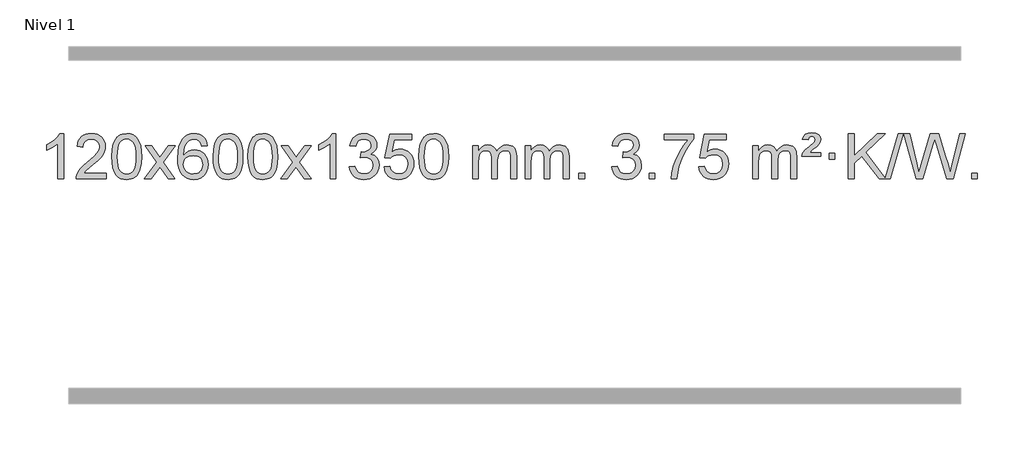
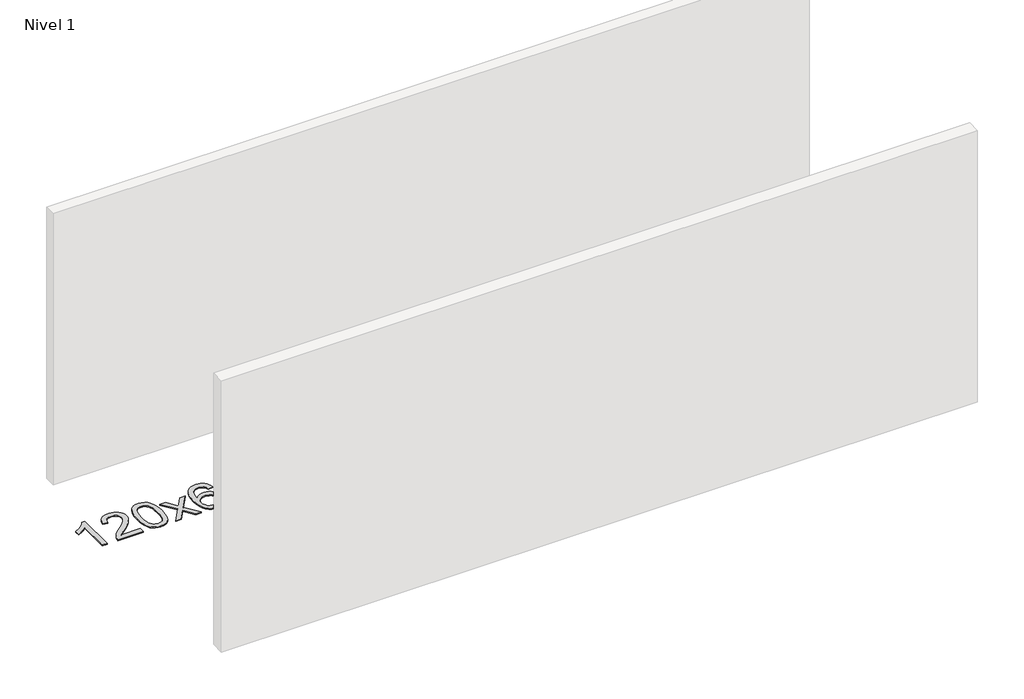
# One storey, part 2 of 9: 1 proxy.
"""IFC4 building model written with IfcOpenShell, lengths in millimetres."""

from ifc_helpers import new_model, si_unit, origin, origin_with_axes, place, context, project, spatial, polyline, outline, extrude, element, save

model = new_model("IFC4")

# Units and contexts
model_context = context("Model", 3, world=origin())
ifc_project = project(units=[si_unit("LENGTHUNIT", "METRE", prefix="MILLI")], contexts=[model_context])

# Site, building, storey
site = spatial("IfcSite", under=ifc_project)
building = spatial("IfcBuilding", under=site)
storey = spatial("IfcBuildingStorey", under=building, Name="Nivel 1", Elevation=0.0)

# Proxy
placement = place(None, origin())
element("IfcBuildingElementProxy", 1, Name="Texto de modelo 1", ObjectType="Texto de modelo 1", at=placement, inside=storey, context=model_context, shape_type="SweptSolid", body=[
    extrude(outline(polyline([(-13075.4615788, -9441.579453), (-13125.6897338, -9441.579453), (-13125.6897338, -9128.4382987), (-13146.6590076, -9145.3976587), (-13173.2691385, -9162.3324932), (-13226.146044, -9187.6918254), (-13226.146044, -9140.2105225), (-13186.6968314, -9118.7507395), (-13152.520594, -9093.219729), (-13125.5793692, -9066.0700378), (-13107.8351943, -9039.7542124), (-13075.4615788, -9039.7542124), (-13075.4615788, -9441.579453)])), origin_with_axes(), (0.0, 0.0, 1.0), 10.0),
    extrude(outline(polyline([(-12698.7504157, -9391.3512979), (-12698.7504157, -9441.579453), (-12962.4482298, -9441.579453), (-12961.3445839, -9423.8965918), (-12957.0526273, -9406.9494945), (-12944.6672667, -9379.8856424), (-12926.5429471, -9353.6311307), (-12900.3252236, -9326.1503456), (-12863.6596514, -9295.4076736), (-12809.4583708, -9247.2641831), (-12776.9376024, -9211.7267824), (-12760.6772182, -9182.884834), (-12755.2570902, -9154.8277005), (-12760.3706499, -9129.6768347), (-12775.7113291, -9108.7688747), (-12799.292565, -9094.6789943), (-12829.1277948, -9089.9823675), (-12860.4590781, -9094.5686297), (-12884.8006034, -9108.3274163), (-12900.5091646, -9130.1796068), (-12905.9415554, -9159.0460807), (-12956.1697105, -9152.7675613), (-12951.8501627, -9126.838012), (-12943.9928164, -9104.1826125), (-12932.5976716, -9084.8013627), (-12917.6647283, -9068.6942627), (-12899.537343, -9056.0329907), (-12878.5588722, -9046.989225), (-12854.729316, -9041.5629655), (-12828.0486743, -9039.7542124), (-12801.1289093, -9041.7653006), (-12777.1705943, -9047.7985654), (-12756.1737295, -9057.8540066), (-12738.1383147, -9071.9316242), (-12723.6529611, -9088.9890861), (-12713.30628, -9107.9840598), (-12707.0982713, -9128.9165453), (-12705.0289351, -9151.7865427), (-12707.2607525, -9175.8092369), (-12713.9562048, -9199.4149983), (-12725.8387933, -9223.4254299), (-12743.6320191, -9248.6621347), (-12771.9957209, -9278.7916701), (-12815.5897374, -9317.4805933), (-12873.3717361, -9365.795762), (-12896.033267, -9391.3512979), (-12698.7504157, -9391.3512979)])), origin_with_axes(), (0.0, 0.0, 1.0), 10.0),
    extrude(outline(polyline([(-12648.5222606, -9243.9041943), (-12644.8311779, -9179.5861588), (-12633.7579299, -9128.2911459), (-12615.4128811, -9089.2343407), (-12603.5548181, -9074.0009605), (-12589.9063961, -9061.6309284), (-12574.4216298, -9052.0598651), (-12557.0545339, -9045.2233914), (-12516.6733536, -9039.7542124), (-12485.722215, -9042.991574), (-12458.0084381, -9052.7036586), (-12434.8318724, -9068.5103217), (-12417.4923677, -9090.0314184), (-12404.3957686, -9117.0830078), (-12393.94792, -9149.4811488), (-12387.1053149, -9190.6226186), (-12384.8244465, -9243.9041943), (-12388.478741, -9307.8543477), (-12399.4416244, -9359.0267333), (-12417.6763087, -9398.1203266), (-12429.5067805, -9413.3996922), (-12443.1460055, -9425.8341036), (-12458.6491659, -9435.4695462), (-12476.071444, -9442.3520052), (-12516.6733536, -9447.8579724), (-12544.3380796, -9445.4667394), (-12568.8635459, -9438.2930405), (-12590.2497526, -9426.3368757), (-12608.4966996, -9409.5982449), (-12626.0078825, -9379.3399508), (-12638.5158704, -9341.6381776), (-12646.0206631, -9296.4929255), (-12648.5222606, -9243.9041943)]), holes=[polyline([(-12598.2941056, -9243.8060924), (-12596.8225776, -9287.4706195), (-12592.4079936, -9322.8148822), (-12585.0503537, -9349.8388804), (-12574.7496579, -9368.5426142), (-12562.290721, -9381.2682656), (-12548.4583579, -9390.3580165), (-12533.2525688, -9395.8118671), (-12516.6733536, -9397.6298173), (-12500.0941383, -9395.8057357), (-12484.8883492, -9390.3334911), (-12471.0559862, -9381.2130833), (-12458.5970493, -9368.4445124), (-12448.2963534, -9349.7101217), (-12440.9387135, -9322.6922549), (-12436.5241295, -9287.3909118), (-12435.0526016, -9243.8060924), (-12436.4750786, -9201.2973278), (-12440.7425098, -9166.5753989), (-12447.854895, -9139.6403055), (-12457.8122343, -9120.4920476), (-12470.0627048, -9107.1440625), (-12484.0544833, -9097.6097875), (-12499.78757, -9091.8892225), (-12517.2619648, -9089.9823675), (-12533.7553409, -9091.6623619), (-12548.7036126, -9096.7023452), (-12562.10678, -9105.1023175), (-12573.9648429, -9116.8622786), (-12584.6088953, -9137.708925), (-12592.2117899, -9165.8151094), (-12596.7735266, -9201.1808319), (-12598.2941056, -9243.8060924)])]), origin_with_axes(), (0.0, 0.0, 1.0), 10.0),
    extrude(outline(polyline([(-12359.7103689, -9441.579453), (-12252.3869282, -9293.2494325), (-12353.4318496, -9146.4890419), (-12293.0011005, -9146.4890419), (-12244.2444734, -9217.122385), (-12221.4848406, -9250.4770192), (-12201.7663657, -9223.2047007), (-12146.2407099, -9146.4890419), (-12085.8099608, -9146.4890419), (-12191.9561791, -9293.2494325), (-12089.7340354, -9441.579453), (-12150.1647845, -9441.579453), (-12211.6746541, -9352.4048574), (-12222.9563686, -9336.1199477), (-12299.2796199, -9441.579453), (-12359.7103689, -9441.579453)])), origin_with_axes(), (0.0, 0.0, 1.0), 10.0),
    extrude(outline(polyline([(-11800.9221437, -9146.4890419), (-11851.1502988, -9152.7675613), (-11859.2437027, -9127.874213), (-11870.1820607, -9110.8780648), (-11892.9662189, -9095.2062918), (-11920.5083176, -9089.9823675), (-11943.8565616, -9093.0235253), (-11965.8313794, -9102.1469988), (-11984.7037258, -9121.3627017), (-12000.1179814, -9147.8134171), (-12010.5290419, -9185.227016), (-12014.3918028, -9237.3313693), (-11994.2441322, -9213.8237098), (-11970.0988106, -9197.2567573), (-11943.3047386, -9187.434308), (-11915.2108169, -9184.1601582), (-11891.077758, -9186.398107), (-11868.8086346, -9193.1119534), (-11848.4034466, -9204.3016975), (-11829.862194, -9219.9673391), (-11814.4540698, -9239.1769106), (-11803.4482668, -9260.9984443), (-11796.844785, -9285.4319401), (-11794.6436244, -9312.4773982), (-11798.7884282, -9348.4439945), (-11811.2228396, -9381.786366), (-11830.9167891, -9410.0642287), (-11856.840207, -9430.8372987), (-11887.815871, -9443.602804), (-11922.6665587, -9447.8579724), (-11952.6090874, -9445.0375437), (-11979.6514797, -9436.5762579), (-12003.7937357, -9422.4741147), (-12025.0358552, -9402.7311143), (-12042.3539001, -9376.5133908), (-12054.7239322, -9342.9870783), (-12062.1459515, -9302.1521768), (-12064.6199579, -9254.0086864), (-12061.8731057, -9200.0342663), (-12053.632549, -9153.9693092), (-12039.8982878, -9115.8138149), (-12020.6703222, -9085.5677835), (-11999.8298072, -9065.5243462), (-11975.6660915, -9051.2076052), (-11948.179175, -9042.6175606), (-11917.3690579, -9039.7542124), (-11894.2354118, -9041.5261773), (-11873.2967949, -9046.8420722), (-11854.5532073, -9055.7018969), (-11838.0046489, -9068.1056515), (-11824.0987094, -9083.6364031), (-11813.2829788, -9101.8772186), (-11805.5574569, -9122.8280983), (-11800.9221437, -9146.4890419)]), holes=[polyline([(-12014.3918028, -9311.6925832), (-12011.485535, -9333.9494439), (-12002.7667318, -9355.2007605), (-11989.2286743, -9373.472233), (-11971.8646442, -9386.7895612), (-11950.9076332, -9394.9197533), (-11926.5906333, -9397.6298173), (-11893.4444655, -9392.0134855), (-11879.5293291, -9384.9930708), (-11867.3861575, -9375.1644901), (-11857.5361171, -9362.9262824), (-11850.500374, -9348.6769865), (-11844.8717794, -9314.1451299), (-11850.4267976, -9280.9989621), (-11857.3705702, -9267.3781312), (-11867.0918519, -9255.725469), (-11879.2718117, -9246.3904634), (-11893.5916183, -9239.7226022), (-11928.6507725, -9234.3883133), (-11961.7478893, -9239.7226022), (-11989.4248781, -9255.725469), (-12000.3479076, -9267.2248471), (-12008.1500716, -9280.3858254), (-12012.83137, -9295.2084042), (-12014.3918028, -9311.6925832)])]), origin_with_axes(), (0.0, 0.0, 1.0), 10.0),
    extrude(outline(polyline([(-11750.6939887, -9243.9041943), (-11747.002906, -9179.5861588), (-11735.9296579, -9128.2911459), (-11717.5846091, -9089.2343407), (-11705.7265461, -9074.0009605), (-11692.0781241, -9061.6309284), (-11676.5933578, -9052.0598651), (-11659.2262619, -9045.2233914), (-11618.8450816, -9039.7542124), (-11587.8939431, -9042.991574), (-11560.1801661, -9052.7036586), (-11537.0036004, -9068.5103217), (-11519.6640957, -9090.0314184), (-11506.5674967, -9117.0830078), (-11496.119648, -9149.4811488), (-11489.2770429, -9190.6226186), (-11486.9961745, -9243.9041943), (-11490.650469, -9307.8543477), (-11501.6133525, -9359.0267333), (-11519.8480367, -9398.1203266), (-11531.6785085, -9413.3996922), (-11545.3177335, -9425.8341036), (-11560.8208939, -9435.4695462), (-11578.2431721, -9442.3520052), (-11618.8450816, -9447.8579724), (-11646.5098076, -9445.4667394), (-11671.035274, -9438.2930405), (-11692.4214806, -9426.3368757), (-11710.6684276, -9409.5982449), (-11728.1796106, -9379.3399508), (-11740.6875984, -9341.6381776), (-11748.1923911, -9296.4929255), (-11750.6939887, -9243.9041943)]), holes=[polyline([(-11700.4658336, -9243.8060924), (-11698.9943056, -9287.4706195), (-11694.5797217, -9322.8148822), (-11687.2220818, -9349.8388804), (-11676.9213859, -9368.5426142), (-11664.462449, -9381.2682656), (-11650.630086, -9390.3580165), (-11635.4242968, -9395.8118671), (-11618.8450816, -9397.6298173), (-11602.2658663, -9395.8057357), (-11587.0600772, -9390.3334911), (-11573.2277142, -9381.2130833), (-11560.7687773, -9368.4445124), (-11550.4680814, -9349.7101217), (-11543.1104415, -9322.6922549), (-11538.6958576, -9287.3909118), (-11537.2243296, -9243.8060924), (-11538.6468066, -9201.2973278), (-11542.9142378, -9166.5753989), (-11550.026623, -9139.6403055), (-11559.9839624, -9120.4920476), (-11572.2344328, -9107.1440625), (-11586.2262114, -9097.6097875), (-11601.959298, -9091.8892225), (-11619.4336928, -9089.9823675), (-11635.9270689, -9091.6623619), (-11650.8753406, -9096.7023452), (-11664.278508, -9105.1023175), (-11676.136571, -9116.8622786), (-11686.7806234, -9137.708925), (-11694.3835179, -9165.8151094), (-11698.9452547, -9201.1808319), (-11700.4658336, -9243.8060924)])]), origin_with_axes(), (0.0, 0.0, 1.0), 10.0),
    extrude(outline(polyline([(-11443.0465388, -9243.9041943), (-11439.3554561, -9179.5861588), (-11428.2822081, -9128.2911459), (-11409.9371593, -9089.2343407), (-11398.0790963, -9074.0009605), (-11384.4306743, -9061.6309284), (-11368.945908, -9052.0598651), (-11351.5788121, -9045.2233914), (-11311.1976318, -9039.7542124), (-11280.2464932, -9042.991574), (-11252.5327163, -9052.7036586), (-11229.3561506, -9068.5103217), (-11212.0166459, -9090.0314184), (-11198.9200468, -9117.0830078), (-11188.4721982, -9149.4811488), (-11181.6295931, -9190.6226186), (-11179.3487247, -9243.9041943), (-11183.0030192, -9307.8543477), (-11193.9659026, -9359.0267333), (-11212.2005869, -9398.1203266), (-11224.0310587, -9413.3996922), (-11237.6702837, -9425.8341036), (-11253.1734441, -9435.4695462), (-11270.5957222, -9442.3520052), (-11311.1976318, -9447.8579724), (-11338.8623578, -9445.4667394), (-11363.3878241, -9438.2930405), (-11384.7740308, -9426.3368757), (-11403.0209778, -9409.5982449), (-11420.5321607, -9379.3399508), (-11433.0401486, -9341.6381776), (-11440.5449413, -9296.4929255), (-11443.0465388, -9243.9041943)]), holes=[polyline([(-11392.8183838, -9243.8060924), (-11391.3468558, -9287.4706195), (-11386.9322718, -9322.8148822), (-11379.5746319, -9349.8388804), (-11369.2739361, -9368.5426142), (-11356.8149992, -9381.2682656), (-11342.9826361, -9390.3580165), (-11327.776847, -9395.8118671), (-11311.1976318, -9397.6298173), (-11294.6184165, -9395.8057357), (-11279.4126274, -9390.3334911), (-11265.5802644, -9381.2130833), (-11253.1213275, -9368.4445124), (-11242.8206316, -9349.7101217), (-11235.4629917, -9322.6922549), (-11231.0484077, -9287.3909118), (-11229.5768798, -9243.8060924), (-11230.9993568, -9201.2973278), (-11235.266788, -9166.5753989), (-11242.3791732, -9139.6403055), (-11252.3365125, -9120.4920476), (-11264.586983, -9107.1440625), (-11278.5787615, -9097.6097875), (-11294.3118482, -9091.8892225), (-11311.786243, -9089.9823675), (-11328.2796191, -9091.6623619), (-11343.2278908, -9096.7023452), (-11356.6310582, -9105.1023175), (-11368.4891211, -9116.8622786), (-11379.1331735, -9137.708925), (-11386.7360681, -9165.8151094), (-11391.2978048, -9201.1808319), (-11392.8183838, -9243.8060924)])]), origin_with_axes(), (0.0, 0.0, 1.0), 10.0),
    extrude(outline(polyline([(-11154.2346472, -9441.579453), (-11046.9112064, -9293.2494325), (-11147.9561278, -9146.4890419), (-11087.5253787, -9146.4890419), (-11038.7687516, -9217.122385), (-11016.0091188, -9250.4770192), (-10996.2906439, -9223.2047007), (-10940.7649881, -9146.4890419), (-10880.334239, -9146.4890419), (-10986.4804574, -9293.2494325), (-10884.2583136, -9441.579453), (-10944.6890627, -9441.579453), (-11006.1989323, -9352.4048574), (-11017.4806468, -9336.1199477), (-11093.8038981, -9441.579453), (-11154.2346472, -9441.579453)])), origin_with_axes(), (0.0, 0.0, 1.0), 10.0),
    extrude(outline(polyline([(-10664.5101352, -9441.579453), (-10714.7382902, -9441.579453), (-10714.7382902, -9128.4382987), (-10735.707564, -9145.3976587), (-10762.317695, -9162.3324932), (-10815.1946004, -9187.6918254), (-10815.1946004, -9140.2105225), (-10775.7453878, -9118.7507395), (-10741.5691504, -9093.219729), (-10714.6279257, -9066.0700378), (-10696.8837508, -9039.7542124), (-10664.5101352, -9039.7542124), (-10664.5101352, -9441.579453)])), origin_with_axes(), (0.0, 0.0, 1.0), 10.0),
    extrude(outline(polyline([(-10545.2182669, -9334.8446235), (-10494.9901118, -9328.5661041), (-10483.7451855, -9360.1303793), (-10467.2763348, -9381.4430095), (-10444.7742195, -9393.5831154), (-10415.429499, -9397.6298173), (-10380.9957442, -9392.0625364), (-10366.7219228, -9385.1034354), (-10354.4101387, -9375.3606939), (-10337.4139905, -9350.4428201), (-10331.7486078, -9320.2274455), (-10337.3649396, -9291.5449126), (-10354.213935, -9268.2825078), (-10379.72042, -9252.8682522), (-10411.3092206, -9247.730167), (-10446.5277903, -9253.2238715), (-10440.935984, -9202.9957164), (-10432.891631, -9203.5843276), (-10402.7988838, -9199.979084), (-10375.8944472, -9189.1633534), (-10364.8211992, -9180.9841103), (-10356.9117363, -9170.8673555), (-10352.1660585, -9158.8130888), (-10350.584166, -9144.8213102), (-10355.1704282, -9123.1285352), (-10368.9292148, -9105.5315131), (-10389.923014, -9093.8696539), (-10416.2143139, -9089.9823675), (-10442.5546648, -9093.9064421), (-10464.0880242, -9105.6786659), (-10479.8088481, -9125.299039), (-10488.7115924, -9152.7675613), (-10538.9397475, -9146.4890419), (-10532.9861905, -9122.5092672), (-10524.1508913, -9101.3867093), (-10512.4338497, -9083.1213683), (-10497.8350659, -9067.713244), (-10480.8143922, -9055.4811677), (-10461.8316813, -9046.7439703), (-10440.886933, -9041.5016519), (-10417.9801475, -9039.7542124), (-10386.4036096, -9043.2000404), (-10357.4022456, -9053.5375245), (-10332.9503557, -9069.8469596), (-10315.0222398, -9091.2086408), (-10304.0225681, -9115.8199463), (-10300.3560109, -9141.8782543), (-10303.8386271, -9166.1584659), (-10314.2864758, -9188.1823347), (-10331.5524041, -9206.9443165), (-10355.4892592, -9221.4388671), (-10324.0476114, -9234.1430586), (-10300.7484183, -9255.77452), (-10286.3274441, -9285.1560286), (-10281.5204527, -9321.1103623), (-10283.9239484, -9346.5923218), (-10291.1344355, -9370.0631931), (-10303.151914, -9391.5229762), (-10319.976384, -9410.971671), (-10340.4735425, -9427.1094278), (-10363.5090867, -9438.636397), (-10389.0830168, -9445.5525785), (-10417.1953326, -9447.8579724), (-10442.6037157, -9445.8898037), (-10465.7557559, -9439.9852977), (-10486.6514532, -9430.1444543), (-10505.2908077, -9416.3672736), (-10520.9196611, -9399.4630959), (-10532.7838554, -9380.2412617), (-10540.8833907, -9358.7017708), (-10545.2182669, -9334.8446235)])), origin_with_axes(), (0.0, 0.0, 1.0), 10.0),
    extrude(outline(polyline([(-10237.570817, -9334.8446235), (-10187.342662, -9328.5661041), (-10178.1210866, -9358.7201649), (-10162.0323807, -9380.3148381), (-10139.1501206, -9393.3010725), (-10109.5478827, -9397.6298173), (-10090.418019, -9396.1245668), (-10073.5444981, -9391.6088153), (-10058.9273202, -9384.0825628), (-10046.5664851, -9373.5458094), (-10036.7379045, -9360.519721), (-10029.7174898, -9345.5254641), (-10024.101158, -9309.6324441), (-10029.3618705, -9275.8363514), (-10035.9377612, -9261.9181493), (-10045.1440081, -9249.9865099), (-10057.0112681, -9240.4154467), (-10071.5701981, -9233.5789729), (-10108.7630678, -9228.1097939), (-10133.1291186, -9230.2925604), (-10152.8598563, -9236.8408599), (-10168.6174684, -9246.8717757), (-10181.0641426, -9259.5023908), (-10231.2922977, -9253.2238715), (-10187.342662, -9046.0327318), (-9992.708561, -9046.0327318), (-9992.708561, -9096.2608869), (-10146.7284897, -9096.2608869), (-10168.2127982, -9206.919791), (-10150.4870174, -9194.2155994), (-10132.332041, -9185.1411769), (-10113.7478688, -9179.6965234), (-10094.734501, -9177.8816388), (-10070.273414, -9180.1318504), (-10047.8050212, -9186.882485), (-10027.3293225, -9198.1335427), (-10008.8463179, -9213.8850234), (-9993.5454926, -9233.1743027), (-9982.6163316, -9255.038756), (-9976.0588351, -9279.4783832), (-9973.8730029, -9306.4931844), (-9975.8411716, -9332.5147042), (-9981.7456776, -9356.7213394), (-9991.586521, -9379.1130902), (-10005.3637017, -9399.6899565), (-10026.2348735, -9420.7634634), (-10050.5886616, -9435.8159684), (-10078.4250659, -9444.8474714), (-10109.7440864, -9447.8579724), (-10135.6644387, -9445.9235262), (-10159.077062, -9440.1201877), (-10179.9819564, -9430.447957), (-10198.3791218, -9416.9068338), (-10213.6860785, -9400.1712688), (-10225.3203466, -9380.915712), (-10233.2819261, -9359.1401636), (-10237.570817, -9334.8446235)])), origin_with_axes(), (0.0, 0.0, 1.0), 10.0),
    extrude(outline(polyline([(-9929.9233672, -9243.9041943), (-9926.2322845, -9179.5861588), (-9915.1590365, -9128.2911459), (-9896.8139876, -9089.2343407), (-9884.9559247, -9074.0009605), (-9871.3075026, -9061.6309284), (-9855.8227363, -9052.0598651), (-9838.4556405, -9045.2233914), (-9798.0744601, -9039.7542124), (-9767.1233216, -9042.991574), (-9739.4095446, -9052.7036586), (-9716.2329789, -9068.5103217), (-9698.8934742, -9090.0314184), (-9685.7968752, -9117.0830078), (-9675.3490265, -9149.4811488), (-9668.5064214, -9190.6226186), (-9666.2255531, -9243.9041943), (-9669.8798475, -9307.8543477), (-9680.842731, -9359.0267333), (-9699.0774152, -9398.1203266), (-9710.9078871, -9413.3996922), (-9724.547112, -9425.8341036), (-9740.0502724, -9435.4695462), (-9757.4725506, -9442.3520052), (-9798.0744601, -9447.8579724), (-9825.7391862, -9445.4667394), (-9850.2646525, -9438.2930405), (-9871.6508592, -9426.3368757), (-9889.8978061, -9409.5982449), (-9907.4089891, -9379.3399508), (-9919.9169769, -9341.6381776), (-9927.4217696, -9296.4929255), (-9929.9233672, -9243.9041943)]), holes=[polyline([(-9879.6952121, -9243.8060924), (-9878.2236842, -9287.4706195), (-9873.8091002, -9322.8148822), (-9866.4514603, -9349.8388804), (-9856.1507644, -9368.5426142), (-9843.6918275, -9381.2682656), (-9829.8594645, -9390.3580165), (-9814.6536754, -9395.8118671), (-9798.0744601, -9397.6298173), (-9781.4952449, -9395.8057357), (-9766.2894558, -9390.3334911), (-9752.4570927, -9381.2130833), (-9739.9981558, -9368.4445124), (-9729.69746, -9349.7101217), (-9722.3398201, -9322.6922549), (-9717.9252361, -9287.3909118), (-9716.4537081, -9243.8060924), (-9717.8761852, -9201.2973278), (-9722.1436163, -9166.5753989), (-9729.2560016, -9139.6403055), (-9739.2133409, -9120.4920476), (-9751.4638113, -9107.1440625), (-9765.4555899, -9097.6097875), (-9781.1886766, -9091.8892225), (-9798.6630713, -9089.9823675), (-9815.1564474, -9091.6623619), (-9830.1047192, -9096.7023452), (-9843.5078865, -9105.1023175), (-9855.3659495, -9116.8622786), (-9866.0100019, -9137.708925), (-9873.6128965, -9165.8151094), (-9878.1746332, -9201.1808319), (-9879.6952121, -9243.8060924)])]), origin_with_axes(), (0.0, 0.0, 1.0), 10.0),
    extrude(outline(polyline([(-9452.755894, -9441.579453), (-9452.755894, -9146.4890419), (-9402.5277389, -9146.4890419), (-9402.5277389, -9195.0494653), (-9387.4200517, -9172.7435537), (-9367.9958823, -9155.2691589), (-9344.9174185, -9143.9751816), (-9318.8468478, -9140.2105225), (-9290.9123416, -9144.048758), (-9268.5205908, -9155.5634645), (-9251.7942228, -9173.9943524), (-9240.8558648, -9198.5811324), (-9222.5476041, -9173.0439906), (-9201.6641696, -9154.803175), (-9178.205561, -9143.8586857), (-9152.1717785, -9140.2105225), (-9132.0639617, -9141.7280358), (-9114.414823, -9146.2805755), (-9099.2243623, -9153.8681416), (-9086.4925796, -9164.4907342), (-9076.4279413, -9178.2709806), (-9069.238914, -9195.3315082), (-9064.9254976, -9215.6723168), (-9063.4876922, -9239.2934066), (-9063.4876922, -9441.579453), (-9113.7158472, -9441.579453), (-9113.7158472, -9260.875817), (-9114.8808069, -9235.8230531), (-9118.3756858, -9218.9372695), (-9124.9239854, -9207.3735121), (-9135.2492067, -9198.2868268), (-9148.5297467, -9192.4007149), (-9163.9440023, -9190.4386776), (-9191.1550072, -9195.4663982), (-9213.3382915, -9210.54956), (-9221.9436645, -9222.1194488), (-9228.0903595, -9236.7182326), (-9233.0077155, -9275.0024856), (-9233.0077155, -9441.579453), (-9283.2358706, -9441.579453), (-9283.2358706, -9255.2840106), (-9286.1421384, -9226.8835206), (-9294.8609417, -9206.6254854), (-9310.2016209, -9194.4853796), (-9332.9735164, -9190.4386776), (-9352.3241093, -9193.1364789), (-9370.1541233, -9201.2298828), (-9384.8694032, -9214.5226856), (-9394.8757934, -9232.8186835), (-9400.6147525, -9258.2025411), (-9402.5277389, -9292.7589232), (-9402.5277389, -9441.579453), (-9452.755894, -9441.579453)])), origin_with_axes(), (0.0, 0.0, 1.0), 10.0),
    extrude(outline(polyline([(-8988.1454596, -9441.579453), (-8988.1454596, -9146.4890419), (-8937.9173045, -9146.4890419), (-8937.9173045, -9195.0494653), (-8922.8096172, -9172.7435537), (-8903.3854479, -9155.2691589), (-8880.306984, -9143.9751816), (-8854.2364133, -9140.2105225), (-8826.3019071, -9144.048758), (-8803.9101564, -9155.5634645), (-8787.1837883, -9173.9943524), (-8776.2454303, -9198.5811324), (-8757.9371697, -9173.0439906), (-8737.0537351, -9154.803175), (-8713.5951266, -9143.8586857), (-8687.561344, -9140.2105225), (-8667.4535273, -9141.7280358), (-8649.8043886, -9146.2805755), (-8634.6139279, -9153.8681416), (-8621.8821452, -9164.4907342), (-8611.8175069, -9178.2709806), (-8604.6284796, -9195.3315082), (-8600.3150632, -9215.6723168), (-8598.8772577, -9239.2934066), (-8598.8772577, -9441.579453), (-8649.1054128, -9441.579453), (-8649.1054128, -9260.875817), (-8650.2703724, -9235.8230531), (-8653.7652514, -9218.9372695), (-8660.3135509, -9207.3735121), (-8670.6387722, -9198.2868268), (-8683.9193123, -9192.4007149), (-8699.3335679, -9190.4386776), (-8726.5445728, -9195.4663982), (-8748.7278571, -9210.54956), (-8757.3332301, -9222.1194488), (-8763.4799251, -9236.7182326), (-8768.3972811, -9275.0024856), (-8768.3972811, -9441.579453), (-8818.6254362, -9441.579453), (-8818.6254362, -9255.2840106), (-8821.5317039, -9226.8835206), (-8830.2505072, -9206.6254854), (-8845.5911864, -9194.4853796), (-8868.3630819, -9190.4386776), (-8887.7136749, -9193.1364789), (-8905.5436889, -9201.2298828), (-8920.2589687, -9214.5226856), (-8930.265359, -9232.8186835), (-8936.0043181, -9258.2025411), (-8937.9173045, -9292.7589232), (-8937.9173045, -9441.579453), (-8988.1454596, -9441.579453)])), origin_with_axes(), (0.0, 0.0, 1.0), 10.0),
    extrude(outline(polyline([(-8510.9779863, -9441.579453), (-8510.9779863, -9391.3512979), (-8460.7498313, -9391.3512979), (-8460.7498313, -9441.579453), (-8510.9779863, -9441.579453)])), origin_with_axes(), (0.0, 0.0, 1.0), 10.0),
    extrude(outline(polyline([(-8222.1660947, -9334.8446235), (-8171.9379396, -9328.5661041), (-8160.6930133, -9360.1303793), (-8144.2241626, -9381.4430095), (-8121.7220472, -9393.5831154), (-8092.3773268, -9397.6298173), (-8057.943572, -9392.0625364), (-8043.6697506, -9385.1034354), (-8031.3579665, -9375.3606939), (-8014.3618183, -9350.4428201), (-8008.6964356, -9320.2274455), (-8014.3127674, -9291.5449126), (-8031.1617628, -9268.2825078), (-8056.6682478, -9252.8682522), (-8088.2570484, -9247.730167), (-8123.4756181, -9253.2238715), (-8117.8838118, -9202.9957164), (-8109.8394588, -9203.5843276), (-8079.7467116, -9199.979084), (-8052.842275, -9189.1633534), (-8041.769027, -9180.9841103), (-8033.8595641, -9170.8673555), (-8029.1138863, -9158.8130888), (-8027.5319937, -9144.8213102), (-8032.118256, -9123.1285352), (-8045.8770426, -9105.5315131), (-8066.8708418, -9093.8696539), (-8093.1621417, -9089.9823675), (-8119.5024925, -9093.9064421), (-8141.035852, -9105.6786659), (-8156.7566759, -9125.299039), (-8165.6594202, -9152.7675613), (-8215.8875753, -9146.4890419), (-8209.9340183, -9122.5092672), (-8201.0987191, -9101.3867093), (-8189.3816775, -9083.1213683), (-8174.7828937, -9067.713244), (-8157.76222, -9055.4811677), (-8138.7795091, -9046.7439703), (-8117.8347608, -9041.5016519), (-8094.9279753, -9039.7542124), (-8063.3514373, -9043.2000404), (-8034.3500734, -9053.5375245), (-8009.8981834, -9069.8469596), (-7991.9700675, -9091.2086408), (-7980.9703959, -9115.8199463), (-7977.3038387, -9141.8782543), (-7980.7864549, -9166.1584659), (-7991.2343036, -9188.1823347), (-8008.5002319, -9206.9443165), (-8032.437087, -9221.4388671), (-8000.9954392, -9234.1430586), (-7977.6962461, -9255.77452), (-7963.2752719, -9285.1560286), (-7958.4682805, -9321.1103623), (-7960.8717762, -9346.5923218), (-7968.0822633, -9370.0631931), (-7980.0997418, -9391.5229762), (-7996.9242117, -9410.971671), (-8017.4213702, -9427.1094278), (-8040.4569145, -9438.636397), (-8066.0308445, -9445.5525785), (-8094.1431603, -9447.8579724), (-8119.5515435, -9445.8898037), (-8142.7035837, -9439.9852977), (-8163.599281, -9430.1444543), (-8182.2386355, -9416.3672736), (-8197.8674889, -9399.4630959), (-8209.7316832, -9380.2412617), (-8217.8312185, -9358.7017708), (-8222.1660947, -9334.8446235)])), origin_with_axes(), (0.0, 0.0, 1.0), 10.0),
    extrude(outline(polyline([(-7889.4045673, -9441.579453), (-7889.4045673, -9391.3512979), (-7839.1764122, -9391.3512979), (-7839.1764122, -9441.579453), (-7889.4045673, -9441.579453)])), origin_with_axes(), (0.0, 0.0, 1.0), 10.0),
    extrude(outline(polyline([(-7757.5556602, -9096.2608869), (-7757.5556602, -9046.0327318), (-7493.8578461, -9046.0327318), (-7493.8578461, -9086.646904), (-7531.4431233, -9134.214046), (-7568.6605184, -9194.7061088), (-7601.4878551, -9262.6048623), (-7625.9029569, -9332.3920768), (-7637.8713845, -9384.6067947), (-7644.5423113, -9441.579453), (-7694.7704664, -9441.579453), (-7689.3380756, -9389.8061935), (-7674.8067368, -9328.2717985), (-7651.5688574, -9263.0463207), (-7620.016845, -9200.1998132), (-7583.1795945, -9143.3865704), (-7544.0860012, -9096.2608869), (-7757.5556602, -9096.2608869)])), origin_with_axes(), (0.0, 0.0, 1.0), 10.0),
    extrude(outline(polyline([(-7449.9082104, -9334.8446235), (-7399.6800553, -9328.5661041), (-7390.45848, -9358.7201649), (-7374.369774, -9380.3148381), (-7351.4875139, -9393.3010725), (-7321.8852761, -9397.6298173), (-7302.7554123, -9396.1245668), (-7285.8818915, -9391.6088153), (-7271.2647135, -9384.0825628), (-7258.9038785, -9373.5458094), (-7249.0752979, -9360.519721), (-7242.0548831, -9345.5254641), (-7236.4385513, -9309.6324441), (-7241.6992639, -9275.8363514), (-7248.2751545, -9261.9181493), (-7257.4814014, -9249.9865099), (-7269.3486615, -9240.4154467), (-7283.9075914, -9233.5789729), (-7321.1004611, -9228.1097939), (-7345.466512, -9230.2925604), (-7365.1972496, -9236.8408599), (-7380.9548618, -9246.8717757), (-7393.4015359, -9259.5023908), (-7443.629691, -9253.2238715), (-7399.6800553, -9046.0327318), (-7205.0459544, -9046.0327318), (-7205.0459544, -9096.2608869), (-7359.065883, -9096.2608869), (-7380.5501916, -9206.919791), (-7362.8244108, -9194.2155994), (-7344.6694343, -9185.1411769), (-7326.0852622, -9179.6965234), (-7307.0718944, -9177.8816388), (-7282.6108074, -9180.1318504), (-7260.1424145, -9186.882485), (-7239.6667158, -9198.1335427), (-7221.1837113, -9213.8850234), (-7205.8828859, -9233.1743027), (-7194.953725, -9255.038756), (-7188.3962284, -9279.4783832), (-7186.2103962, -9306.4931844), (-7188.1785649, -9332.5147042), (-7194.0830709, -9356.7213394), (-7203.9239143, -9379.1130902), (-7217.701095, -9399.6899565), (-7238.5722669, -9420.7634634), (-7262.926055, -9435.8159684), (-7290.7624593, -9444.8474714), (-7322.0814798, -9447.8579724), (-7348.001832, -9445.9235262), (-7371.4144553, -9440.1201877), (-7392.3193497, -9430.447957), (-7410.7165152, -9416.9068338), (-7426.0234719, -9400.1712688), (-7437.6577399, -9380.915712), (-7445.6193195, -9359.1401636), (-7449.9082104, -9334.8446235)])), origin_with_axes(), (0.0, 0.0, 1.0), 10.0),
    extrude(outline(polyline([(-6972.7407372, -9441.579453), (-6972.7407372, -9146.4890419), (-6922.5125821, -9146.4890419), (-6922.5125821, -9195.0494653), (-6907.4048948, -9172.7435537), (-6887.9807255, -9155.2691589), (-6864.9022617, -9143.9751816), (-6838.8316909, -9140.2105225), (-6810.8971848, -9144.048758), (-6788.505434, -9155.5634645), (-6771.7790659, -9173.9943524), (-6760.840708, -9198.5811324), (-6742.5324473, -9173.0439906), (-6721.6490127, -9154.803175), (-6698.1904042, -9143.8586857), (-6672.1566217, -9140.2105225), (-6652.0488049, -9141.7280358), (-6634.3996662, -9146.2805755), (-6619.2092055, -9153.8681416), (-6606.4774228, -9164.4907342), (-6596.4127845, -9178.2709806), (-6589.2237572, -9195.3315082), (-6584.9103408, -9215.6723168), (-6583.4725353, -9239.2934066), (-6583.4725353, -9441.579453), (-6633.7006904, -9441.579453), (-6633.7006904, -9260.875817), (-6634.8656501, -9235.8230531), (-6638.360529, -9218.9372695), (-6644.9088285, -9207.3735121), (-6655.2340499, -9198.2868268), (-6668.5145899, -9192.4007149), (-6683.9288455, -9190.4386776), (-6711.1398504, -9195.4663982), (-6733.3231347, -9210.54956), (-6741.9285077, -9222.1194488), (-6748.0752027, -9236.7182326), (-6752.9925587, -9275.0024856), (-6752.9925587, -9441.579453), (-6803.2207138, -9441.579453), (-6803.2207138, -9255.2840106), (-6806.1269816, -9226.8835206), (-6814.8457848, -9206.6254854), (-6830.186464, -9194.4853796), (-6852.9583595, -9190.4386776), (-6872.3089525, -9193.1364789), (-6890.1389665, -9201.2298828), (-6904.8542463, -9214.5226856), (-6914.8606366, -9232.8186835), (-6920.5995957, -9258.2025411), (-6922.5125821, -9292.7589232), (-6922.5125821, -9441.579453), (-6972.7407372, -9441.579453)])), origin_with_axes(), (0.0, 0.0, 1.0), 10.0),
    extrude(outline(polyline([(-6539.5228997, -9240.6668327), (-6535.6969269, -9224.8479069), (-6527.3582683, -9208.9799302), (-6505.8494344, -9183.8413272), (-6473.8927517, -9156.1030247), (-6429.7469123, -9118.726214), (-6422.6100016, -9107.1992448), (-6420.2310314, -9095.3779701), (-6422.1194923, -9083.2869152), (-6427.784875, -9073.5012541), (-6437.1536031, -9067.026531), (-6450.1521003, -9064.8682899), (-6462.5865117, -9066.4869707), (-6471.4402051, -9071.343013), (-6477.8658773, -9080.8098431), (-6483.0162252, -9096.2608869), (-6533.2443803, -9089.9823675), (-6522.4041241, -9064.7701881), (-6505.775858, -9047.2099542), (-6482.0106811, -9036.9092583), (-6449.7596928, -9033.475693), (-6413.9770374, -9037.6082341), (-6389.2308419, -9050.0058573), (-6374.8098677, -9068.3386434), (-6370.0028763, -9090.2766731), (-6374.0986292, -9113.1834586), (-6386.3858878, -9134.8149199), (-6406.9137031, -9154.6314968), (-6443.3830716, -9182.6886303), (-6468.9876584, -9209.2742358), (-6370.0028763, -9209.2742358), (-6370.0028763, -9240.6668327), (-6539.5228997, -9240.6668327)])), origin_with_axes(), (0.0, 0.0, 1.0), 10.0),
    extrude(outline(polyline([(-6294.6606437, -9265.7809102), (-6294.6606437, -9215.5527552), (-6244.4324886, -9215.5527552), (-6244.4324886, -9265.7809102), (-6294.6606437, -9265.7809102)])), origin_with_axes(), (0.0, 0.0, 1.0), 10.0),
    extrude(outline(polyline([(-5853.7908606, -9441.579453), (-6007.2221781, -9238.9009991), (-6074.9124652, -9303.4520265), (-6074.9124652, -9441.579453), (-6125.1406203, -9441.579453), (-6125.1406203, -9039.7542124), (-6074.9124652, -9039.7542124), (-6074.9124652, -9236.4484525), (-5868.8985479, -9039.7542124), (-5798.6576123, -9039.7542124), (-5971.611201, -9204.9577537), (-5796.9575911, -9435.5349332), (-5685.6442634, -9039.7542124), (-5640.3212016, -9039.7542124), (-5753.3345505, -9441.579453), (-5792.3790929, -9441.579453), (-5798.6576123, -9441.579453), (-5853.7908606, -9441.579453)])), origin_with_axes(), (0.0, 0.0, 1.0), 10.0),
    extrude(outline(polyline([(-5525.8363247, -9441.579453), (-5635.4161083, -9039.7542124), (-5583.6183234, -9039.7542124), (-5520.0483146, -9303.844434), (-5500.4279415, -9385.3670841), (-5479.4341424, -9313.2622131), (-5399.7754277, -9039.7542124), (-5325.1199081, -9039.7542124), (-5267.2398075, -9238.0180823), (-5242.4445611, -9311.5944814), (-5224.1730886, -9385.3670841), (-5205.1413268, -9306.1988788), (-5140.9827068, -9039.7542124), (-5089.1849219, -9039.7542124), (-5198.8628074, -9441.579453), (-5252.5245277, -9441.579453), (-5348.8605595, -9131.5775584), (-5362.3005151, -9088.3146358), (-5377.4082024, -9140.4067263), (-5465.2093719, -9441.579453), (-5525.8363247, -9441.579453)])), origin_with_axes(), (0.0, 0.0, 1.0), 10.0),
    extrude(outline(polyline([(-5032.6782474, -9441.579453), (-5032.6782474, -9391.3512979), (-4982.4500923, -9391.3512979), (-4982.4500923, -9441.579453), (-5032.6782474, -9441.579453)])), origin_with_axes(), (0.0, 0.0, 1.0), 10.0),
])

save(model, "model.ifc")
